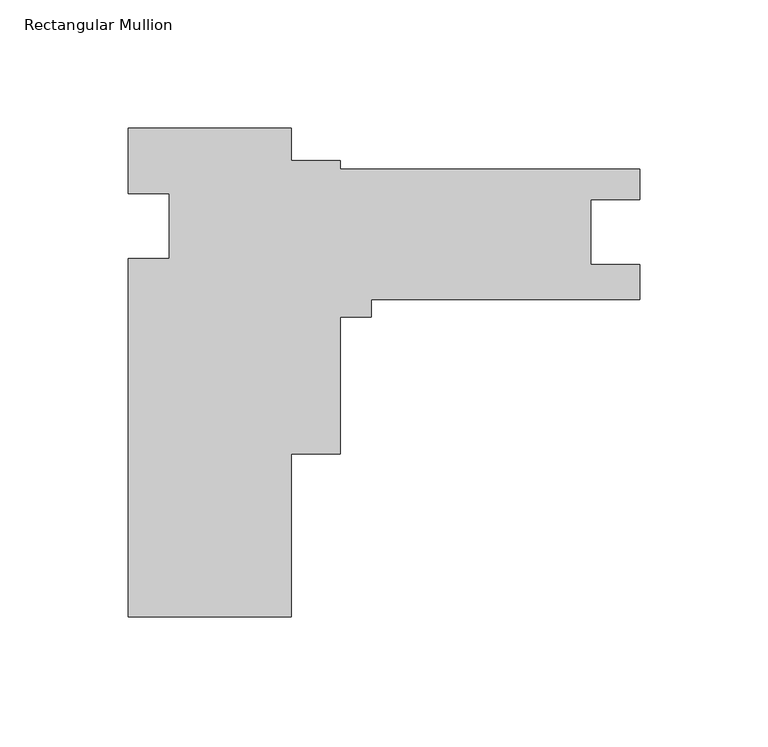
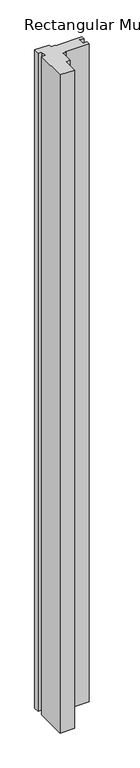
"""IFC4 building model written with IfcOpenShell, lengths in millimetres: member geometry, Rectangular Mullion."""

import ifcopenshell
import ifcopenshell.guid

model = None  # the IFC model being written
_history = None  # IfcOwnerHistory: only IFC2X3 demands one
_inside = {}  # id of a spatial element -> (the spatial element, [elements in it])
_under = {}  # id of a project, library or spatial element -> (it, [spatial elements below it])
_declared = {}  # id of a project -> (the project, [libraries it declares])
_typed = {}  # id of a type object -> (the type object, [elements of that type])
_made_of = {}  # id of a material, layer set ... -> (it, [elements and type objects made of it])


def new_model(schema):
    """Start an empty IFC model of exactly this schema.

    Asked for "IFC4X3", IfcOpenShell would pick the latest addendum, in which some entities
    have other attributes; the version numbers below select the first issue.
    IFC2X3 requires an IfcOwnerHistory on every rooted entity: one is made here for all.
    """
    global model, _history
    if schema == "IFC4X3":
        model = ifcopenshell.file(schema_version=(4, 3, 0, 0))
    else:
        model = ifcopenshell.file(schema=schema)
    _inside.clear()
    _under.clear()
    _declared.clear()
    _typed.clear()
    _made_of.clear()
    _history = None
    if model.schema == "IFC2X3":
        org = make("IfcOrganization", Name="unknown")
        user = make(
            "IfcPersonAndOrganization",
            ThePerson=make("IfcPerson", FamilyName="unknown"),
            TheOrganization=org,
        )
        app = make(
            "IfcApplication",
            ApplicationDeveloper=org,
            Version="unknown",
            ApplicationFullName="unknown",
            ApplicationIdentifier="unknown",
        )
        _history = make(
            "IfcOwnerHistory",
            OwningUser=user,
            OwningApplication=app,
            ChangeAction="ADDED",
            CreationDate=0,
        )
    return model


def make(cls, **values):
    """One entity of the class cls with the attributes given. An attribute that is None is left unset."""
    return model.create_entity(
        cls, **{name: value for name, value in values.items() if value is not None}
    )


def rooted(cls, **values):
    """An entity with a GlobalId (a new one), such as an element, a storey or a relation."""
    return make(cls, GlobalId=ifcopenshell.guid.new(), OwnerHistory=_history, **values)


def si_unit(unit_type, name, prefix=None):
    """IfcSIUnit, for example si_unit("LENGTHUNIT", "METRE", prefix="MILLI")."""
    return make("IfcSIUnit", UnitType=unit_type, Prefix=prefix, Name=name)


def assignment(units):
    """IfcUnitAssignment: the units of a project."""
    return None if units is None else make("IfcUnitAssignment", Units=units)


def point(xyz):
    """IfcCartesianPoint."""
    return None if xyz is None else make("IfcCartesianPoint", Coordinates=xyz)


def direction(xyz):
    """IfcDirection."""
    return None if xyz is None else make("IfcDirection", DirectionRatios=xyz)


def frame(location, z_axis=None, x_axis=None):
    """IfcAxis2Placement3D, a coordinate frame: its origin and axes. An axis left out is left unset."""
    return make(
        "IfcAxis2Placement3D",
        Location=point(location),
        Axis=direction(z_axis),
        RefDirection=direction(x_axis),
    )


def origin():
    """The frame at (0, 0, 0) with its axes left unset."""
    return frame((0.0, 0.0, 0.0))


def place(relative_to, where):
    """IfcLocalPlacement: puts the frame where relative to a parent placement (None: the world)."""
    return make(
        "IfcLocalPlacement", PlacementRelTo=relative_to, RelativePlacement=where
    )


def context(
    kind, dimensions, precision=None, world=None, true_north=None, identifier=None
):
    """IfcGeometricRepresentationContext, for example the 3D "Model" context."""
    return make(
        "IfcGeometricRepresentationContext",
        ContextIdentifier=identifier,
        ContextType=kind,
        CoordinateSpaceDimension=dimensions,
        Precision=precision,
        WorldCoordinateSystem=world,
        TrueNorth=true_north,
    )


def project(units=None, contexts=None):
    """IfcProject with its units and contexts."""
    return rooted(
        "IfcProject",
        Name="project",
        RepresentationContexts=contexts,
        UnitsInContext=assignment(units),
    )


def spatial(cls, under=None, at=None, **own):
    """A site, building, storey or space (cls), placed at a placement, below another one or the project."""
    s = rooted(cls, ObjectPlacement=at, **own)
    if under is not None:
        _under.setdefault(under.id(), (under, []))[1].append(s)
    return s


def polyline(points):
    """IfcPolyline through the points."""
    return make("IfcPolyline", Points=[point(p) for p in points])


def outline(outer, holes=None, kind="AREA"):
    """IfcArbitraryClosedProfileDef: a profile drawn as a closed curve; with holes, ...WithVoids."""
    if holes is None:
        return make("IfcArbitraryClosedProfileDef", ProfileType=kind, OuterCurve=outer)
    return make(
        "IfcArbitraryProfileDefWithVoids",
        ProfileType=kind,
        OuterCurve=outer,
        InnerCurves=holes,
    )


def extrude(swept, where, along, depth):
    """IfcExtrudedAreaSolid: the profile swept, set in the frame where, extruded along a direction by depth."""
    return make(
        "IfcExtrudedAreaSolid",
        SweptArea=swept,
        Position=where,
        ExtrudedDirection=direction(along),
        Depth=depth,
    )


def shape(context_of_items, identifier, shape_type, items):
    """IfcShapeRepresentation: the items that make up one representation, for example the "Body"."""
    return make(
        "IfcShapeRepresentation",
        ContextOfItems=context_of_items,
        RepresentationIdentifier=identifier,
        RepresentationType=shape_type,
        Items=items,
    )


def source(mapping_origin, context_of_items, identifier, shape_type, items):
    """IfcRepresentationMap: a shape defined once, which mapped items show again and again."""
    return make(
        "IfcRepresentationMap",
        MappingOrigin=mapping_origin,
        MappedRepresentation=shape(context_of_items, identifier, shape_type, items),
    )


def transform(
    local_origin,
    x_axis=None,
    y_axis=None,
    z_axis=None,
    scale=None,
    scale2=None,
    scale3=None,
    uniform=True,
):
    """IfcCartesianTransformationOperator3D, or its non-uniform kind. x_axis, y_axis, z_axis: its Axis1, 2, 3."""
    if uniform:
        return make(
            "IfcCartesianTransformationOperator3D",
            Axis1=direction(x_axis),
            Axis2=direction(y_axis),
            LocalOrigin=point(local_origin),
            Scale=scale,
            Axis3=direction(z_axis),
        )
    return make(
        "IfcCartesianTransformationOperator3DnonUniform",
        Axis1=direction(x_axis),
        Axis2=direction(y_axis),
        LocalOrigin=point(local_origin),
        Scale=scale,
        Axis3=direction(z_axis),
        Scale2=scale2,
        Scale3=scale3,
    )


def mapped(mapping_source, mapping_target):
    """IfcMappedItem: shows the shape of a source again, moved by a transform."""
    return make(
        "IfcMappedItem", MappingSource=mapping_source, MappingTarget=mapping_target
    )


def made_of(thing, what):
    """Note that an element or type object is made of a material, layer set ...; save() writes the relation."""
    if what is not None:
        _made_of.setdefault(what.id(), (what, []))[1].append(thing)
    return thing


def element(
    cls,
    number,
    at=None,
    inside=None,
    cuts=None,
    type_object=None,
    material=None,
    context=None,
    identifier="Body",
    shape_type=None,
    held_by="IfcProductDefinitionShape",
    body=None,
    shapes=None,
    **own,
):
    """One element of the class cls, such as IfcWall. Its Tag is "e" and its number.

    at: its placement. inside: the storey or other place that contains it. cuts: it is an
    opening in that element (IfcRelVoidsElement). A single representation is given by context,
    identifier, shape_type and body (its items); several are given by shapes. held_by: the class
    of the entity that holds the representations. save() writes the other relations.
    """
    e = rooted(cls, Tag="e%d" % number, ObjectPlacement=at, **own)
    if body is not None:
        shapes = [shape(context, identifier, shape_type, body)]
    if shapes is not None:
        e.Representation = make(held_by, Representations=shapes)
    if inside is not None:
        _inside.setdefault(inside.id(), (inside, []))[1].append(e)
    if cuts is not None:
        rooted(
            "IfcRelVoidsElement", RelatingBuildingElement=cuts, RelatedOpeningElement=e
        )
    if type_object is not None:
        _typed.setdefault(type_object.id(), (type_object, []))[1].append(e)
    return made_of(e, material)


def aggregate(whole, parts):
    """IfcRelAggregates: a whole, such as a stair, and the parts it consists of."""
    return rooted("IfcRelAggregates", RelatingObject=whole, RelatedObjects=parts)


def save(model, path):
    """Write the relations noted so far, then the file.

    IfcRelAggregates (storeys below a building ...), IfcRelContainedInSpatialStructure (elements
    in a storey), IfcRelDefinesByType, IfcRelAssociatesMaterial and IfcRelDeclares: one each for
    every whole, place, type object, material and project.
    """
    for whole, parts in _under.values():
        aggregate(whole, parts)
    for where, things in _inside.values():
        rooted(
            "IfcRelContainedInSpatialStructure",
            RelatedElements=things,
            RelatingStructure=where,
        )
    for kind, things in _typed.values():
        rooted("IfcRelDefinesByType", RelatedObjects=things, RelatingType=kind)
    for what, things in _made_of.values():
        rooted("IfcRelAssociatesMaterial", RelatedObjects=things, RelatingMaterial=what)
    for by, libraries in _declared.values():
        rooted("IfcRelDeclares", RelatingContext=by, RelatedDefinitions=libraries)
    model.write(path)


def rectangular_mullion_b7cce11a(model_context):
    return source(origin(), model_context, "Body", "SweptSolid", [
        extrude(outline(polyline([(-135.636, -190.5), (-199.136, -190.5), (-199.136, -50.8), (-183.2737, -50.8), (-183.2737, -25.4), (-199.136, -25.4), (-199.136, 0.0), (-135.636, 0.0), (-135.636, -12.7), (-116.586, -12.7), (-116.586, -15.875), (0.0, -15.875), (0.0, -27.7406055), (-19.0246, -27.7406055), (-19.0246, -53.1368), (0.0, -53.1368), (0.0, -66.675), (-104.4521584, -66.675), (-104.4521584, -73.5759425), (-116.586, -73.5759425), (-116.586, -127.0), (-135.636, -127.0), (-135.636, -190.5)])), frame((0.0, 0.0, -3048.0), z_axis=(0.0, 0.0, 1.0), x_axis=(1.0, 0.0, 0.0)), (0.0, 0.0, 1.0), 3048.0),
    ])


if __name__ == "__main__":
    model = new_model("IFC4")
    model_context = context("Model", 3, world=origin())
    ifc_project = project(units=[si_unit("LENGTHUNIT", "METRE", prefix="MILLI")], contexts=[model_context])
    site = spatial("IfcSite", under=ifc_project)
    building = spatial("IfcBuilding", under=site)
    placement = place(None, origin())
    rectangular_mullion_shape = rectangular_mullion_b7cce11a(model_context)
    element("IfcMember", 1, ObjectType="Rectangular Mullion", at=placement, inside=building, context=model_context, shape_type="MappedRepresentation", body=[
        mapped(rectangular_mullion_shape, transform((0.0, 0.0, 0.0), x_axis=(1.0, 0.0, 0.0), y_axis=(0.0, 1.0, 0.0), z_axis=(0.0, 0.0, 1.0))),
    ])
    save(model, "model.ifc")
